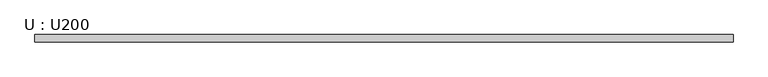
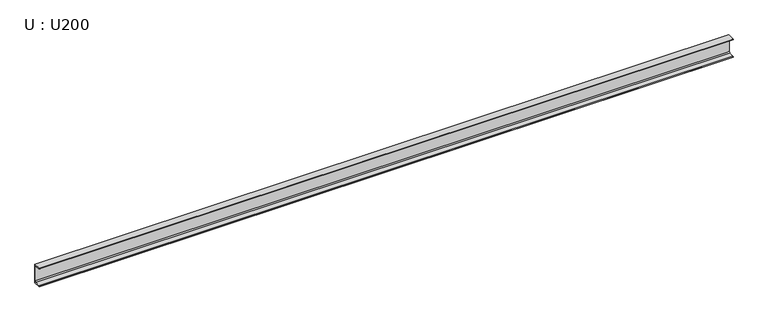
"""IFC4 building model written with IfcOpenShell, lengths in millimetres: member geometry, U : U200."""

from ifc_helpers import new_model, si_unit, point, frame, frame_2d, origin, place, context, project, spatial, polyline, circle_curve, trimmed, segment, composite_curve, outline, extrude, source, transform, mapped, element, save


def u_u200_d5037ab1(model_context):
    return source(origin(), model_context, "Body", "SweptSolid", [
        extrude(outline(composite_curve([segment(polyline([(20.1, 100.0), (20.1, -100.0), (-54.9, -100.0), (-54.9, -97.0369668)]), True, "CONTINUOUS"), segment(trimmed(circle_curve(frame_2d((-48.9, -97.0369668)), 6.0), [point((-54.9, -97.0369668))], [point((-49.378062, -91.0560424))], False, "CARTESIAN"), True, "CONTINUOUS"), segment(polyline([(-49.378062, -91.0560424), (1.0162855, -87.0279656)]), True, "CONTINUOUS"), segment(trimmed(circle_curve(frame_2d((0.1, -75.5645272)), 11.5), [point((1.0162855, -87.0279656))], [point((11.6, -75.5645272))], True, "CARTESIAN"), True, "CONTINUOUS"), segment(polyline([(11.6, -75.5645272), (11.6, 75.5645272)]), True, "CONTINUOUS"), segment(trimmed(circle_curve(frame_2d((0.1, 75.5645272)), 11.5), [point((11.6, 75.5645272))], [point((1.0162855, 87.0279656))], True, "CARTESIAN"), True, "CONTINUOUS"), segment(polyline([(1.0162855, 87.0279656), (-49.378062, 91.0560424)]), True, "CONTINUOUS"), segment(trimmed(circle_curve(frame_2d((-48.9, 97.0369668)), 6.0), [point((-49.378062, 91.0560424))], [point((-54.9, 97.0369668))], False, "CARTESIAN"), True, "CONTINUOUS"), segment(polyline([(-54.9, 97.0369668), (-54.9, 100.0), (20.1, 100.0)]), True, "CONTINUOUS")], self_intersect=False)), frame((-3575.0, 0.0, 0.0), z_axis=(1.0, 0.0, 0.0), x_axis=(0.0, 1.0, 0.0)), (0.0, 0.0, 1.0), 7150.0),
    ])


if __name__ == "__main__":
    model = new_model("IFC4")
    model_context = context("Model", 3, world=origin())
    ifc_project = project(units=[si_unit("LENGTHUNIT", "METRE", prefix="MILLI")], contexts=[model_context])
    site = spatial("IfcSite", under=ifc_project)
    building = spatial("IfcBuilding", under=site)
    placement = place(None, origin())
    u_u200_shape = u_u200_d5037ab1(model_context)
    element("IfcMember", 1, ObjectType="U : U200", at=placement, inside=building, context=model_context, shape_type="MappedRepresentation", body=[
        mapped(u_u200_shape, transform((0.0, 0.0, 0.0), x_axis=(1.0, 0.0, 0.0), y_axis=(0.0, 1.0, 0.0), z_axis=(0.0, 0.0, 1.0))),
    ])
    save(model, "model.ifc")
